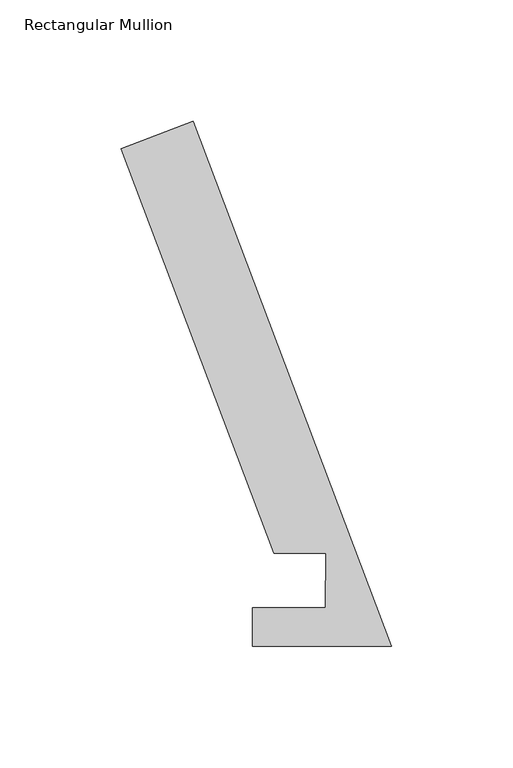
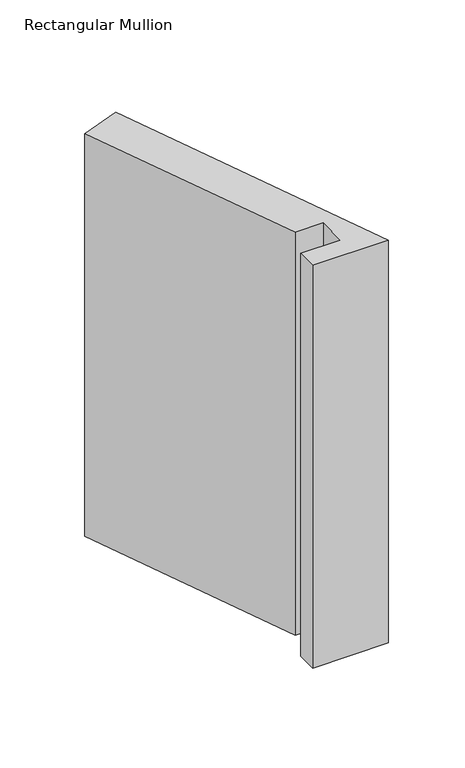
"""IFC4 building model written with IfcOpenShell, lengths in millimetres: member geometry, Rectangular Mullion."""

from ifc_helpers import new_model, si_unit, frame, origin, place, context, project, spatial, polyline, outline, extrude, source, transform, mapped, element, save


def rectangular_mullion_cff886c5(model_context):
    return source(origin(), model_context, "Body", "SweptSolid", [
        extrude(outline(polyline([(0.0, 0.0380112), (-57.2922169, 0.0380112), (-57.2922169, 15.9130112), (-27.171167, 15.9130112), (-27.1188377, 38.4018802), (-48.4388076, 38.4050794), (-111.4308257, 205.1086181), (-81.7304777, 216.3314444), (0.0, 0.0380112)])), frame((0.0, 0.0, -322.3094946), z_axis=(0.0, 0.0, 1.0), x_axis=(1.0, 0.0, 0.0)), (0.0, 0.0, 1.0), 322.3094946),
    ])


if __name__ == "__main__":
    model = new_model("IFC4")
    model_context = context("Model", 3, world=origin())
    ifc_project = project(units=[si_unit("LENGTHUNIT", "METRE", prefix="MILLI")], contexts=[model_context])
    site = spatial("IfcSite", under=ifc_project)
    building = spatial("IfcBuilding", under=site)
    placement = place(None, origin())
    rectangular_mullion_shape = rectangular_mullion_cff886c5(model_context)
    element("IfcMember", 1, ObjectType="Rectangular Mullion", at=placement, inside=building, context=model_context, shape_type="MappedRepresentation", body=[
        mapped(rectangular_mullion_shape, transform((0.0, 0.0, 0.0), x_axis=(1.0, 0.0, 0.0), y_axis=(0.0, 1.0, 0.0), z_axis=(0.0, 0.0, 1.0))),
    ])
    save(model, "model.ifc")
